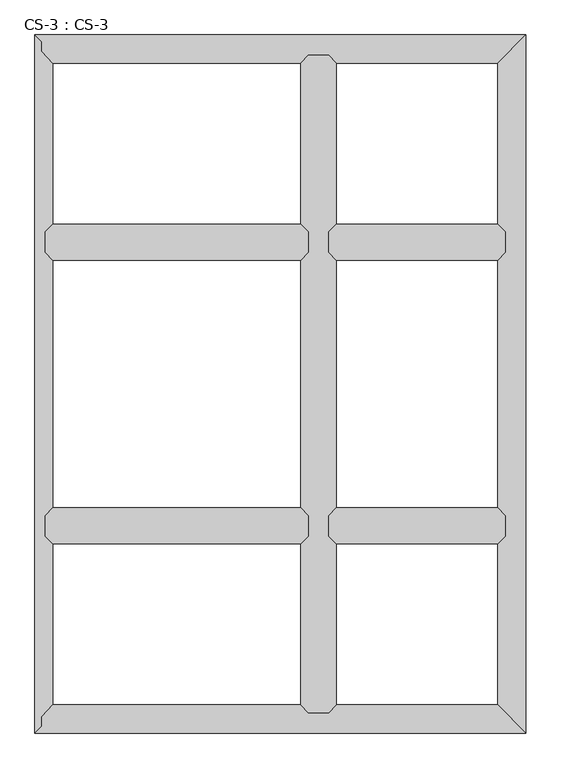
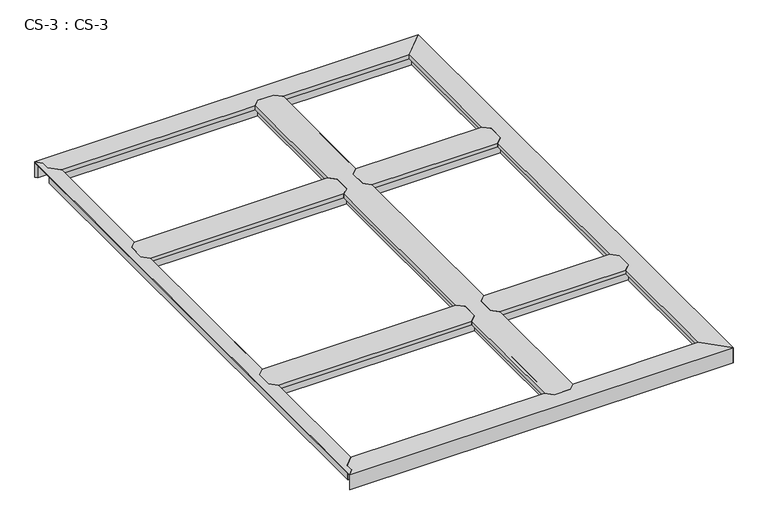
"""IFC4 building model written with IfcOpenShell, lengths in millimetres: proxy geometry, CS-3 : CS-3."""

from ifc_helpers import new_model, si_unit, origin, place, context, project, spatial, faceted_brep, source, transform, mapped, element, save


def cs_3_cs_3_19166167(model_context):
    return source(origin(), model_context, "Body", "Brep", [
        faceted_brep([(1516.38, 635.0, 46.355), (1516.38, 635.0, 0.0), (1516.38, 641.985, 0.0), (1516.38, 641.985, 63.5), (1516.38, 694.055, 63.5), (1516.38, 694.055, 0.0), (1516.38, 701.04, 0.0), (1516.38, 701.04, 46.355), (1516.38, 701.04, 66.675), (1516.38, 635.0, 66.675), (947.42, 701.04, 46.355), (947.42, 701.04, 0.0), (947.42, 694.055, 0.0), (947.42, 694.055, 63.5), (947.42, 641.985, 63.5), (947.42, 641.985, 0.0), (947.42, 635.0, 0.0), (947.42, 635.0, 46.355), (947.42, 635.0, 66.675), (947.42, 701.04, 66.675), (972.058, 725.678, 66.675), (1491.742, 725.678, 66.675), (1491.742, 725.678, 49.8094), (972.058, 725.678, 49.8094), (1493.266, 724.154, 49.8094), (970.534, 724.154, 49.8094), (1493.266, 724.154, 64.643), (970.534, 724.154, 64.643), (1503.553, 713.867, 64.643), (960.247, 713.867, 64.643), (1503.553, 713.867, 46.355), (960.247, 713.867, 46.355), (1503.553, 622.173, 46.355), (960.247, 622.173, 46.355), (1503.553, 622.173, 64.643), (960.247, 622.173, 64.643), (1493.266, 611.886, 64.643), (970.534, 611.886, 64.643), (1493.266, 611.886, 49.8094), (970.534, 611.886, 49.8094), (1491.742, 610.362, 49.8094), (972.058, 610.362, 49.8094), (1491.742, 610.362, 66.675), (972.058, 610.362, 66.675)], [[[0, 1, 2, 3, 4, 5, 6, 7, 8, 9]], [[10, 11, 12, 13, 14, 15, 16, 17, 18, 19]], [[20, 21, 22, 23]], [[23, 22, 24, 25]], [[25, 24, 26, 27]], [[27, 26, 28, 29]], [[29, 28, 30, 31]], [[7, 10, 31, 30]], [[7, 6, 11, 10]], [[6, 5, 12, 11]], [[5, 4, 13, 12]], [[4, 3, 14, 13]], [[3, 2, 15, 14]], [[2, 1, 16, 15]], [[1, 0, 17, 16]], [[17, 0, 32, 33]], [[33, 32, 34, 35]], [[35, 34, 36, 37]], [[37, 36, 38, 39]], [[39, 38, 40, 41]], [[41, 40, 42, 43]], [[9, 8, 21, 20, 19, 18, 43, 42]], [[10, 19, 20, 23, 25, 27, 29, 31]], [[18, 17, 33, 35, 37, 39, 41, 43]], [[0, 9, 42, 40, 38, 36, 34, 32]], [[8, 7, 30, 28, 26, 24, 22, 21]]]),
        faceted_brep([(1516.38, 1549.4, 46.355), (1516.38, 1549.4, 0.0), (1516.38, 1556.385, 0.0), (1516.38, 1556.385, 63.5), (1516.38, 1608.455, 63.5), (1516.38, 1608.455, 0.0), (1516.38, 1615.44, 0.0), (1516.38, 1615.44, 46.355), (1516.38, 1615.44, 66.675), (1516.38, 1549.4, 66.675), (947.42, 1615.44, 46.355), (947.42, 1615.44, 0.0), (947.42, 1608.455, 0.0), (947.42, 1608.455, 63.5), (947.42, 1556.385, 63.5), (947.42, 1556.385, 0.0), (947.42, 1549.4, 0.0), (947.42, 1549.4, 46.355), (947.42, 1549.4, 66.675), (947.42, 1615.44, 66.675), (972.058, 1640.078, 66.675), (1491.742, 1640.078, 66.675), (1491.742, 1640.078, 49.8094), (972.058, 1640.078, 49.8094), (1493.266, 1638.554, 49.8094), (970.534, 1638.554, 49.8094), (1493.266, 1638.554, 64.643), (970.534, 1638.554, 64.643), (1503.553, 1628.267, 64.643), (960.247, 1628.267, 64.643), (1503.553, 1628.267, 46.355), (960.247, 1628.267, 46.355), (1503.553, 1536.573, 46.355), (960.247, 1536.573, 46.355), (1503.553, 1536.573, 64.643), (960.247, 1536.573, 64.643), (1493.266, 1526.286, 64.643), (970.534, 1526.286, 64.643), (1493.266, 1526.286, 49.8094), (970.534, 1526.286, 49.8094), (1491.742, 1524.762, 49.8094), (972.058, 1524.762, 49.8094), (1491.742, 1524.762, 66.675), (972.058, 1524.762, 66.675)], [[[0, 1, 2, 3, 4, 5, 6, 7, 8, 9]], [[10, 11, 12, 13, 14, 15, 16, 17, 18, 19]], [[20, 21, 22, 23]], [[23, 22, 24, 25]], [[25, 24, 26, 27]], [[27, 26, 28, 29]], [[29, 28, 30, 31]], [[7, 10, 31, 30]], [[7, 6, 11, 10]], [[6, 5, 12, 11]], [[5, 4, 13, 12]], [[4, 3, 14, 13]], [[3, 2, 15, 14]], [[2, 1, 16, 15]], [[1, 0, 17, 16]], [[17, 0, 32, 33]], [[33, 32, 34, 35]], [[35, 34, 36, 37]], [[37, 36, 38, 39]], [[39, 38, 40, 41]], [[41, 40, 42, 43]], [[9, 8, 21, 20, 19, 18, 43, 42]], [[10, 19, 20, 23, 25, 27, 29, 31]], [[18, 17, 33, 35, 37, 39, 41, 43]], [[0, 9, 42, 40, 38, 36, 34, 32]], [[8, 7, 30, 28, 26, 24, 22, 21]]]),
        faceted_brep([(881.38, 635.0, 46.355), (881.38, 635.0, 0.0), (881.38, 641.985, 0.0), (881.38, 641.985, 63.5), (881.38, 694.055, 63.5), (881.38, 694.055, 0.0), (881.38, 701.04, 0.0), (881.38, 701.04, 46.355), (881.38, 701.04, 66.675), (881.38, 635.0, 66.675), (33.02, 701.04, 46.355), (33.02, 701.04, 0.0), (33.02, 694.055, 0.0), (33.02, 694.055, 63.5), (33.02, 641.985, 63.5), (33.02, 641.985, 0.0), (33.02, 635.0, 0.0), (33.02, 635.0, 46.355), (33.02, 635.0, 66.675), (33.02, 701.04, 66.675), (57.658, 725.678, 66.675), (856.742, 725.678, 66.675), (856.742, 725.678, 49.8094), (57.658, 725.678, 49.8094), (858.266, 724.154, 49.8094), (56.134, 724.154, 49.8094), (858.266, 724.154, 64.643), (56.134, 724.154, 64.643), (868.553, 713.867, 64.643), (45.847, 713.867, 64.643), (868.553, 713.867, 46.355), (45.847, 713.867, 46.355), (868.553, 622.173, 46.355), (45.847, 622.173, 46.355), (868.553, 622.173, 64.643), (45.847, 622.173, 64.643), (858.266, 611.886, 64.643), (56.134, 611.886, 64.643), (858.266, 611.886, 49.8094), (56.134, 611.886, 49.8094), (856.742, 610.362, 49.8094), (57.658, 610.362, 49.8094), (856.742, 610.362, 66.675), (57.658, 610.362, 66.675)], [[[0, 1, 2, 3, 4, 5, 6, 7, 8, 9]], [[10, 11, 12, 13, 14, 15, 16, 17, 18, 19]], [[20, 21, 22, 23]], [[23, 22, 24, 25]], [[25, 24, 26, 27]], [[27, 26, 28, 29]], [[29, 28, 30, 31]], [[7, 10, 31, 30]], [[7, 6, 11, 10]], [[6, 5, 12, 11]], [[5, 4, 13, 12]], [[4, 3, 14, 13]], [[3, 2, 15, 14]], [[2, 1, 16, 15]], [[1, 0, 17, 16]], [[17, 0, 32, 33]], [[33, 32, 34, 35]], [[35, 34, 36, 37]], [[37, 36, 38, 39]], [[39, 38, 40, 41]], [[41, 40, 42, 43]], [[9, 8, 21, 20, 19, 18, 43, 42]], [[10, 19, 20, 23, 25, 27, 29, 31]], [[18, 17, 33, 35, 37, 39, 41, 43]], [[0, 9, 42, 40, 38, 36, 34, 32]], [[8, 7, 30, 28, 26, 24, 22, 21]]]),
        faceted_brep([(881.38, 1549.4, 46.355), (881.38, 1549.4, 0.0), (881.38, 1556.385, 0.0), (881.38, 1556.385, 63.5), (881.38, 1608.455, 63.5), (881.38, 1608.455, 0.0), (881.38, 1615.44, 0.0), (881.38, 1615.44, 46.355), (881.38, 1615.44, 66.675), (881.38, 1549.4, 66.675), (33.02, 1615.44, 46.355), (33.02, 1615.44, 0.0), (33.02, 1608.455, 0.0), (33.02, 1608.455, 63.5), (33.02, 1556.385, 63.5), (33.02, 1556.385, 0.0), (33.02, 1549.4, 0.0), (33.02, 1549.4, 46.355), (33.02, 1549.4, 66.675), (33.02, 1615.44, 66.675), (57.658, 1640.078, 66.675), (856.742, 1640.078, 66.675), (856.742, 1640.078, 49.8094), (57.658, 1640.078, 49.8094), (858.266, 1638.554, 49.8094), (56.134, 1638.554, 49.8094), (858.266, 1638.554, 64.643), (56.134, 1638.554, 64.643), (868.553, 1628.267, 64.643), (45.847, 1628.267, 64.643), (868.553, 1628.267, 46.355), (45.847, 1628.267, 46.355), (868.553, 1536.573, 46.355), (45.847, 1536.573, 46.355), (868.553, 1536.573, 64.643), (45.847, 1536.573, 64.643), (858.266, 1526.286, 64.643), (56.134, 1526.286, 64.643), (858.266, 1526.286, 49.8094), (56.134, 1526.286, 49.8094), (856.742, 1524.762, 49.8094), (57.658, 1524.762, 49.8094), (856.742, 1524.762, 66.675), (57.658, 1524.762, 66.675)], [[[0, 1, 2, 3, 4, 5, 6, 7, 8, 9]], [[10, 11, 12, 13, 14, 15, 16, 17, 18, 19]], [[20, 21, 22, 23]], [[23, 22, 24, 25]], [[25, 24, 26, 27]], [[27, 26, 28, 29]], [[29, 28, 30, 31]], [[7, 10, 31, 30]], [[7, 6, 11, 10]], [[6, 5, 12, 11]], [[5, 4, 13, 12]], [[4, 3, 14, 13]], [[3, 2, 15, 14]], [[2, 1, 16, 15]], [[1, 0, 17, 16]], [[17, 0, 32, 33]], [[33, 32, 34, 35]], [[35, 34, 36, 37]], [[37, 36, 38, 39]], [[39, 38, 40, 41]], [[41, 40, 42, 43]], [[9, 8, 21, 20, 19, 18, 43, 42]], [[10, 19, 20, 23, 25, 27, 29, 31]], [[18, 17, 33, 35, 37, 39, 41, 43]], [[0, 9, 42, 40, 38, 36, 34, 32]], [[8, 7, 30, 28, 26, 24, 22, 21]]]),
        faceted_brep([(947.42, 2184.4, 46.355), (947.42, 2184.4, 0.0), (940.435, 2184.4, 0.0), (940.435, 2184.4, 63.5), (888.365, 2184.4, 63.5), (888.365, 2184.4, 0.0), (881.38, 2184.4, 0.0), (881.38, 2184.4, 46.355), (881.38, 2184.4, 66.675), (947.42, 2184.4, 66.675), (881.38, 66.04, 46.355), (881.38, 66.04, 0.0), (888.365, 66.04, 0.0), (888.365, 66.04, 63.5), (940.435, 66.04, 63.5), (940.435, 66.04, 0.0), (947.42, 66.04, 0.0), (947.42, 66.04, 46.355), (947.42, 66.04, 66.675), (881.38, 66.04, 66.675), (856.742, 90.678, 49.8094), (856.742, 90.678, 66.675), (856.742, 610.362, 66.675), (856.742, 610.362, 49.8094), (856.742, 2159.762, 66.675), (856.742, 2159.762, 49.8094), (856.742, 1640.078, 49.8094), (856.742, 1640.078, 66.675), (856.742, 725.678, 49.8094), (856.742, 725.678, 66.675), (856.742, 1524.762, 66.675), (856.742, 1524.762, 49.8094), (858.266, 89.154, 49.8094), (858.266, 611.886, 49.8094), (858.266, 2161.286, 49.8094), (858.266, 1638.554, 49.8094), (858.266, 724.154, 49.8094), (858.266, 1526.286, 49.8094), (858.266, 89.154, 64.643), (858.266, 611.886, 64.643), (858.266, 2161.286, 64.643), (858.266, 1638.554, 64.643), (858.266, 724.154, 64.643), (858.266, 1526.286, 64.643), (868.553, 78.867, 64.643), (868.553, 622.173, 64.643), (868.553, 2171.573, 64.643), (868.553, 1628.267, 64.643), (868.553, 713.867, 64.643), (868.553, 1536.573, 64.643), (868.553, 78.867, 46.355), (868.553, 622.173, 46.355), (868.553, 2171.573, 46.355), (868.553, 1628.267, 46.355), (868.553, 713.867, 46.355), (868.553, 1536.573, 46.355), (881.38, 635.0, 46.355), (881.38, 1615.44, 46.355), (881.38, 701.04, 46.355), (881.38, 1549.4, 46.355), (881.38, 635.0, 66.675), (881.38, 701.04, 66.675), (881.38, 1549.4, 66.675), (881.38, 1615.44, 66.675), (947.42, 1615.44, 46.355), (947.42, 1615.44, 66.675), (947.42, 1549.4, 66.675), (947.42, 1549.4, 46.355), (947.42, 701.04, 46.355), (947.42, 701.04, 66.675), (947.42, 635.0, 66.675), (947.42, 635.0, 46.355), (960.247, 78.867, 46.355), (960.247, 622.173, 46.355), (960.247, 2171.573, 46.355), (960.247, 1628.267, 46.355), (960.247, 713.867, 46.355), (960.247, 1536.573, 46.355), (960.247, 78.867, 64.643), (960.247, 622.173, 64.643), (960.247, 2171.573, 64.643), (960.247, 1628.267, 64.643), (960.247, 713.867, 64.643), (960.247, 1536.573, 64.643), (970.534, 89.154, 64.643), (970.534, 611.886, 64.643), (970.534, 2161.286, 64.643), (970.534, 1638.554, 64.643), (970.534, 724.154, 64.643), (970.534, 1526.286, 64.643), (970.534, 89.154, 49.8094), (970.534, 611.886, 49.8094), (970.534, 2161.286, 49.8094), (970.534, 1638.554, 49.8094), (970.534, 724.154, 49.8094), (970.534, 1526.286, 49.8094), (972.058, 90.678, 49.8094), (972.058, 610.362, 49.8094), (972.058, 2159.762, 49.8094), (972.058, 1640.078, 49.8094), (972.058, 725.678, 49.8094), (972.058, 1524.762, 49.8094), (972.058, 90.678, 66.675), (972.058, 610.362, 66.675), (972.058, 2159.762, 66.675), (972.058, 1640.078, 66.675), (972.058, 725.678, 66.675), (972.058, 1524.762, 66.675)], [[[0, 1, 2, 3, 4, 5, 6, 7, 8, 9]], [[10, 11, 12, 13, 14, 15, 16, 17, 18, 19]], [[20, 21, 22, 23]], [[24, 25, 26, 27]], [[28, 29, 30, 31]], [[32, 20, 23, 33]], [[25, 34, 35, 26]], [[36, 28, 31, 37]], [[38, 32, 33, 39]], [[34, 40, 41, 35]], [[42, 36, 37, 43]], [[44, 38, 39, 45]], [[40, 46, 47, 41]], [[48, 42, 43, 49]], [[50, 44, 45, 51]], [[46, 52, 53, 47]], [[54, 48, 49, 55]], [[10, 50, 51, 56]], [[52, 7, 57, 53]], [[58, 54, 55, 59]], [[7, 6, 11, 10, 56, 60, 61, 58, 59, 62, 63, 57]], [[6, 5, 12, 11]], [[5, 4, 13, 12]], [[4, 3, 14, 13]], [[3, 2, 15, 14]], [[2, 1, 16, 15]], [[1, 0, 64, 65, 66, 67, 68, 69, 70, 71, 17, 16]], [[72, 17, 71, 73]], [[0, 74, 75, 64]], [[76, 68, 67, 77]], [[78, 72, 73, 79]], [[74, 80, 81, 75]], [[82, 76, 77, 83]], [[84, 78, 79, 85]], [[80, 86, 87, 81]], [[88, 82, 83, 89]], [[90, 84, 85, 91]], [[86, 92, 93, 87]], [[94, 88, 89, 95]], [[96, 90, 91, 97]], [[92, 98, 99, 93]], [[100, 94, 95, 101]], [[102, 96, 97, 103]], [[98, 104, 105, 99]], [[106, 100, 101, 107]], [[9, 8, 24, 27, 63, 62, 30, 29, 61, 60, 22, 21, 19, 18, 102, 103, 70, 69, 106, 107, 66, 65, 105, 104]], [[10, 19, 21, 20, 32, 38, 44, 50]], [[18, 17, 72, 78, 84, 90, 96, 102]], [[0, 9, 104, 98, 92, 86, 80, 74]], [[8, 7, 52, 46, 40, 34, 25, 24]], [[60, 56, 51, 45, 39, 33, 23, 22]], [[58, 61, 29, 28, 36, 42, 48, 54]], [[62, 59, 55, 49, 43, 37, 31, 30]], [[57, 63, 27, 26, 35, 41, 47, 53]], [[69, 68, 76, 82, 88, 94, 100, 106]], [[71, 70, 103, 97, 91, 85, 79, 73]], [[65, 64, 75, 81, 87, 93, 99, 105]], [[67, 66, 107, 101, 95, 89, 83, 77]]]),
        faceted_brep([(1582.42, 0.0, 0.0), (0.0, 0.0, 0.0), (6.985, 6.985, 0.0), (1575.435, 6.985, 0.0), (1575.435, 6.985, 63.5), (6.985, 6.985, 63.5), (1523.365, 59.055, 63.5), (21.59, 21.59, 63.5), (21.59, 53.34, 63.5), (27.1106122, 59.055, 63.5), (1523.365, 59.055, 0.0), (27.1106122, 59.055, 0.0), (33.8580272, 66.04, 0.0), (1516.38, 66.04, 0.0), (1516.38, 66.04, 46.355), (33.8580272, 66.04, 46.355), (881.38, 66.04, 46.355), (881.38, 66.04, 66.675), (947.42, 66.04, 66.675), (947.42, 66.04, 46.355), (1503.553, 78.867, 46.355), (960.247, 78.867, 46.355), (46.2487347, 78.867, 46.355), (868.553, 78.867, 46.355), (1503.553, 78.867, 63.5), (960.247, 78.867, 63.5), (46.2487347, 78.867, 63.5), (868.553, 78.867, 63.5), (1493.266, 89.154, 63.5), (970.534, 89.154, 63.5), (56.1858367, 89.154, 63.5), (858.266, 89.154, 63.5), (1493.266, 89.154, 49.8094), (970.534, 89.154, 49.8094), (56.1858367, 89.154, 49.8094), (858.266, 89.154, 49.8094), (1491.742, 90.678, 49.8094), (972.058, 90.678, 49.8094), (57.658, 90.678, 49.8094), (856.742, 90.678, 49.8094), (1491.742, 90.678, 66.675), (972.058, 90.678, 66.675), (57.658, 90.678, 66.675), (856.742, 90.678, 66.675), (0.0, 0.0, 66.675), (1582.42, 0.0, 66.675), (21.59, 53.34, 66.675), (21.59, 21.59, 66.675)], [[[0, 1, 2, 3]], [[4, 3, 2, 5]], [[6, 4, 5, 7, 8, 9]], [[10, 6, 9, 11]], [[12, 13, 10, 11]], [[14, 13, 12, 15, 16, 17, 18, 19]], [[20, 14, 19, 21]], [[15, 22, 23, 16]], [[24, 20, 21, 25]], [[22, 26, 27, 23]], [[28, 24, 25, 29]], [[26, 30, 31, 27]], [[32, 28, 29, 33]], [[30, 34, 35, 31]], [[36, 32, 33, 37]], [[34, 38, 39, 35]], [[40, 36, 37, 41]], [[38, 42, 43, 39]], [[44, 45, 40, 41, 18, 17, 43, 42, 46, 47]], [[1, 0, 45, 44]], [[0, 3, 4, 6, 10, 13, 14, 20, 24, 28, 32, 36, 40, 45]], [[7, 47, 46, 8]], [[8, 46, 42, 38, 34, 30, 26, 22, 15, 12, 11, 9]], [[47, 7, 5, 2, 1, 44]], [[17, 16, 23, 27, 31, 35, 39, 43]], [[19, 18, 41, 37, 33, 29, 25, 21]]]),
        faceted_brep([(1582.42, 2250.44, 0.0), (1582.42, 0.0, 0.0), (1575.435, 6.985, 0.0), (1575.435, 2243.455, 0.0), (1575.435, 2243.455, 63.5), (1575.435, 6.985, 63.5), (1523.365, 2191.385, 63.5), (1523.365, 59.055, 63.5), (1523.365, 2191.385, 0.0), (1523.365, 59.055, 0.0), (1516.38, 66.04, 0.0), (1516.38, 2184.4, 0.0), (1516.38, 2184.4, 46.355), (1516.38, 66.04, 46.355), (1516.38, 635.0, 46.355), (1516.38, 635.0, 66.675), (1516.38, 701.04, 66.675), (1516.38, 701.04, 46.355), (1516.38, 1549.4, 46.355), (1516.38, 1549.4, 66.675), (1516.38, 1615.44, 66.675), (1516.38, 1615.44, 46.355), (1503.553, 2171.573, 46.355), (1503.553, 1628.267, 46.355), (1503.553, 78.867, 46.355), (1503.553, 622.173, 46.355), (1503.553, 1536.573, 46.355), (1503.553, 713.867, 46.355), (1503.553, 2171.573, 63.5), (1503.553, 1628.267, 63.5), (1503.553, 78.867, 63.5), (1503.553, 622.173, 63.5), (1503.553, 1536.573, 63.5), (1503.553, 713.867, 63.5), (1493.266, 2161.286, 63.5), (1493.266, 1638.554, 63.5), (1493.266, 89.154, 63.5), (1493.266, 611.886, 63.5), (1493.266, 1526.286, 63.5), (1493.266, 724.154, 63.5), (1493.266, 2161.286, 49.8094), (1493.266, 1638.554, 49.8094), (1493.266, 89.154, 49.8094), (1493.266, 611.886, 49.8094), (1493.266, 1526.286, 49.8094), (1493.266, 724.154, 49.8094), (1491.742, 2159.762, 49.8094), (1491.742, 1640.078, 49.8094), (1491.742, 90.678, 49.8094), (1491.742, 610.362, 49.8094), (1491.742, 1524.762, 49.8094), (1491.742, 725.678, 49.8094), (1491.742, 2159.762, 66.675), (1491.742, 1640.078, 66.675), (1491.742, 90.678, 66.675), (1491.742, 610.362, 66.675), (1491.742, 1524.762, 66.675), (1491.742, 725.678, 66.675), (1582.42, 0.0, 66.675), (1582.42, 2250.44, 66.675)], [[[0, 1, 2, 3]], [[4, 3, 2, 5]], [[6, 4, 5, 7]], [[8, 6, 7, 9]], [[10, 11, 8, 9]], [[12, 11, 10, 13, 14, 15, 16, 17, 18, 19, 20, 21]], [[22, 12, 21, 23]], [[13, 24, 25, 14]], [[26, 18, 17, 27]], [[28, 22, 23, 29]], [[24, 30, 31, 25]], [[32, 26, 27, 33]], [[34, 28, 29, 35]], [[30, 36, 37, 31]], [[38, 32, 33, 39]], [[40, 34, 35, 41]], [[36, 42, 43, 37]], [[44, 38, 39, 45]], [[46, 40, 41, 47]], [[42, 48, 49, 43]], [[50, 44, 45, 51]], [[52, 46, 47, 53]], [[48, 54, 55, 49]], [[56, 50, 51, 57]], [[58, 59, 52, 53, 20, 19, 56, 57, 16, 15, 55, 54]], [[1, 0, 59, 58]], [[0, 3, 4, 6, 8, 11, 12, 22, 28, 34, 40, 46, 52, 59]], [[2, 1, 58, 54, 48, 42, 36, 30, 24, 13, 10, 9, 7, 5]], [[19, 18, 26, 32, 38, 44, 50, 56]], [[21, 20, 53, 47, 41, 35, 29, 23]], [[15, 14, 25, 31, 37, 43, 49, 55]], [[17, 16, 57, 51, 45, 39, 33, 27]]]),
        faceted_brep([(0.0, 2250.44, 0.0), (1582.42, 2250.44, 0.0), (1575.435, 2243.455, 0.0), (6.985, 2243.455, 0.0), (6.985, 2243.455, 63.5), (1575.435, 2243.455, 63.5), (21.59, 2228.85, 63.5), (1523.365, 2191.385, 63.5), (27.1106122, 2191.385, 63.5), (21.59, 2197.1, 63.5), (27.1106122, 2191.385, 0.0), (1523.365, 2191.385, 0.0), (1516.38, 2184.4, 0.0), (33.8580272, 2184.4, 0.0), (33.8580272, 2184.4, 46.355), (1516.38, 2184.4, 46.355), (947.42, 2184.4, 46.355), (947.42, 2184.4, 66.675), (881.38, 2184.4, 66.675), (881.38, 2184.4, 46.355), (46.2487347, 2171.573, 46.355), (868.553, 2171.573, 46.355), (1503.553, 2171.573, 46.355), (960.247, 2171.573, 46.355), (46.2487347, 2171.573, 63.5), (868.553, 2171.573, 63.5), (1503.553, 2171.573, 63.5), (960.247, 2171.573, 63.5), (56.1858367, 2161.286, 63.5), (858.266, 2161.286, 63.5), (1493.266, 2161.286, 63.5), (970.534, 2161.286, 63.5), (56.1858367, 2161.286, 49.8094), (858.266, 2161.286, 49.8094), (1493.266, 2161.286, 49.8094), (970.534, 2161.286, 49.8094), (57.658, 2159.762, 49.8094), (856.742, 2159.762, 49.8094), (1491.742, 2159.762, 49.8094), (972.058, 2159.762, 49.8094), (57.658, 2159.762, 66.675), (856.742, 2159.762, 66.675), (1491.742, 2159.762, 66.675), (972.058, 2159.762, 66.675), (1582.42, 2250.44, 66.675), (0.0, 2250.44, 66.675), (21.59, 2228.85, 66.675), (21.59, 2197.1, 66.675)], [[[0, 1, 2, 3]], [[4, 3, 2, 5]], [[6, 4, 5, 7, 8, 9]], [[10, 8, 7, 11]], [[12, 13, 10, 11]], [[14, 13, 12, 15, 16, 17, 18, 19]], [[20, 14, 19, 21]], [[15, 22, 23, 16]], [[24, 20, 21, 25]], [[22, 26, 27, 23]], [[28, 24, 25, 29]], [[26, 30, 31, 27]], [[32, 28, 29, 33]], [[30, 34, 35, 31]], [[36, 32, 33, 37]], [[34, 38, 39, 35]], [[40, 36, 37, 41]], [[38, 42, 43, 39]], [[44, 45, 46, 47, 40, 41, 18, 17, 43, 42]], [[1, 0, 45, 44]], [[6, 46, 45, 0, 3, 4]], [[47, 9, 8, 10, 13, 14, 20, 24, 28, 32, 36, 40]], [[46, 6, 9, 47]], [[2, 1, 44, 42, 38, 34, 30, 26, 22, 15, 12, 11, 7, 5]], [[17, 16, 23, 27, 31, 35, 39, 43]], [[19, 18, 41, 37, 33, 29, 25, 21]]]),
        faceted_brep([(0.0, 2250.44, 66.675), (0.0, 0.0, 66.675), (21.59, 21.59, 66.675), (21.59, 53.34, 66.675), (57.658, 90.678, 66.675), (57.658, 610.362, 66.675), (33.02, 635.0, 66.675), (33.02, 701.04, 66.675), (57.658, 725.678, 66.675), (57.658, 1524.762, 66.675), (33.02, 1549.4, 66.675), (33.02, 1615.44, 66.675), (57.658, 1640.078, 66.675), (57.658, 2159.762, 66.675), (21.59, 2197.1, 66.675), (21.59, 2228.85, 66.675), (0.0, 2250.44, 63.5), (0.0, 0.0, 63.5), (21.59, 2228.85, 63.5), (21.59, 2197.1, 63.5), (26.035, 2192.4984859, 63.5), (26.035, 57.9415141, 63.5), (21.59, 53.34, 63.5), (21.59, 21.59, 63.5), (26.035, 57.9415141, 0.0), (26.035, 2192.4984859, 0.0), (33.02, 2185.2675352, 0.0), (33.02, 65.1724648, 0.0), (33.02, 65.1724648, 46.355), (33.02, 2185.2675352, 46.355), (33.02, 1615.44, 46.355), (33.02, 1549.4, 46.355), (33.02, 701.04, 46.355), (33.02, 635.0, 46.355), (45.847, 78.4511197, 46.355), (45.847, 622.173, 46.355), (45.847, 2171.9888803, 46.355), (45.847, 1628.267, 46.355), (45.847, 713.867, 46.355), (45.847, 1536.573, 46.355), (45.847, 78.4511197, 64.643), (45.847, 622.173, 64.643), (45.847, 2171.9888803, 64.643), (45.847, 1628.267, 64.643), (45.847, 713.867, 64.643), (45.847, 1536.573, 64.643), (56.134, 89.100338, 64.643), (56.134, 611.886, 64.643), (56.134, 2161.339662, 64.643), (56.134, 1638.554, 64.643), (56.134, 724.154, 64.643), (56.134, 1526.286, 64.643), (56.134, 89.100338, 49.8094), (56.134, 611.886, 49.8094), (56.134, 2161.339662, 49.8094), (56.134, 1638.554, 49.8094), (56.134, 724.154, 49.8094), (56.134, 1526.286, 49.8094), (57.658, 90.678, 49.8094), (57.658, 610.362, 49.8094), (57.658, 2159.762, 49.8094), (57.658, 1640.078, 49.8094), (57.658, 725.678, 49.8094), (57.658, 1524.762, 49.8094)], [[[0, 1, 2, 3, 4, 5, 6, 7, 8, 9, 10, 11, 12, 13, 14, 15]], [[1, 0, 16, 17]], [[17, 16, 18, 19, 20, 21, 22, 23]], [[24, 21, 20, 25]], [[26, 27, 24, 25]], [[28, 27, 26, 29, 30, 11, 10, 31, 32, 7, 6, 33]], [[34, 28, 33, 35]], [[29, 36, 37, 30]], [[38, 32, 31, 39]], [[40, 34, 35, 41]], [[36, 42, 43, 37]], [[44, 38, 39, 45]], [[46, 40, 41, 47]], [[42, 48, 49, 43]], [[50, 44, 45, 51]], [[52, 46, 47, 53]], [[48, 54, 55, 49]], [[56, 50, 51, 57]], [[58, 52, 53, 59]], [[54, 60, 61, 55]], [[62, 56, 57, 63]], [[4, 58, 59, 5]], [[60, 13, 12, 61]], [[8, 62, 63, 9]], [[23, 2, 1, 17]], [[3, 22, 21, 24, 27, 28, 34, 40, 46, 52, 58, 4]], [[2, 23, 22, 3]], [[18, 15, 14, 19]], [[19, 14, 13, 60, 54, 48, 42, 36, 29, 26, 25, 20]], [[15, 18, 16, 0]], [[7, 32, 38, 44, 50, 56, 62, 8]], [[33, 6, 5, 59, 53, 47, 41, 35]], [[11, 30, 37, 43, 49, 55, 61, 12]], [[31, 10, 9, 63, 57, 51, 45, 39]]]),
    ])


if __name__ == "__main__":
    model = new_model("IFC4")
    model_context = context("Model", 3, world=origin())
    ifc_project = project(units=[si_unit("LENGTHUNIT", "METRE", prefix="MILLI")], contexts=[model_context])
    site = spatial("IfcSite", under=ifc_project)
    building = spatial("IfcBuilding", under=site)
    placement = place(None, origin())
    cs_3_cs_3_shape = cs_3_cs_3_19166167(model_context)
    element("IfcBuildingElementProxy", 1, Name="CS-3 : CS-3", ObjectType="CS-3 : CS-3", at=placement, inside=building, context=model_context, shape_type="MappedRepresentation", body=[
        mapped(cs_3_cs_3_shape, transform((0.0, 0.0, 0.0), x_axis=(1.0, 0.0, 0.0), y_axis=(0.0, 1.0, 0.0), z_axis=(0.0, 0.0, 1.0))),
    ])
    save(model, "model.ifc")
